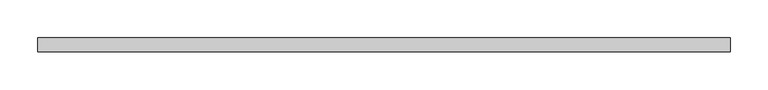
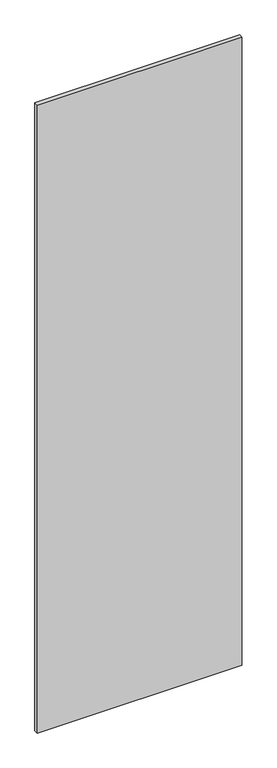
"""IFC4 building model written with IfcOpenShell, lengths in millimetres: proxy geometry."""

from ifc_helpers import new_model, si_unit, frame, origin, place, context, project, spatial, polyline, outline, extrude, source, transform, mapped, element, save


def specialty_equipment_37483484(model_context):
    return source(origin(), model_context, "Body", "SweptSolid", [
        extrude(outline(polyline([(461.6704, 9.525), (461.6704, -9.525), (-461.6704, -9.525), (-461.6704, 9.525), (461.6704, 9.525)])), frame((0.0, 0.0, 3.175), z_axis=(0.0, 0.0, 1.0), x_axis=(1.0, 0.0, 0.0)), (0.0, 0.0, 1.0), 2996.3618001),
    ])


if __name__ == "__main__":
    model = new_model("IFC4")
    model_context = context("Model", 3, world=origin())
    ifc_project = project(units=[si_unit("LENGTHUNIT", "METRE", prefix="MILLI")], contexts=[model_context])
    site = spatial("IfcSite", under=ifc_project)
    building = spatial("IfcBuilding", under=site)
    placement = place(None, origin())
    specialty_equipment_shape = specialty_equipment_37483484(model_context)
    element("IfcBuildingElementProxy", 1, Name="Specialty Equipment", at=placement, inside=building, context=model_context, shape_type="MappedRepresentation", body=[
        mapped(specialty_equipment_shape, transform((0.0, 0.0, 0.0), x_axis=(1.0, 0.0, 0.0), y_axis=(0.0, 1.0, 0.0), z_axis=(0.0, 0.0, 1.0))),
    ])
    save(model, "model.ifc")
